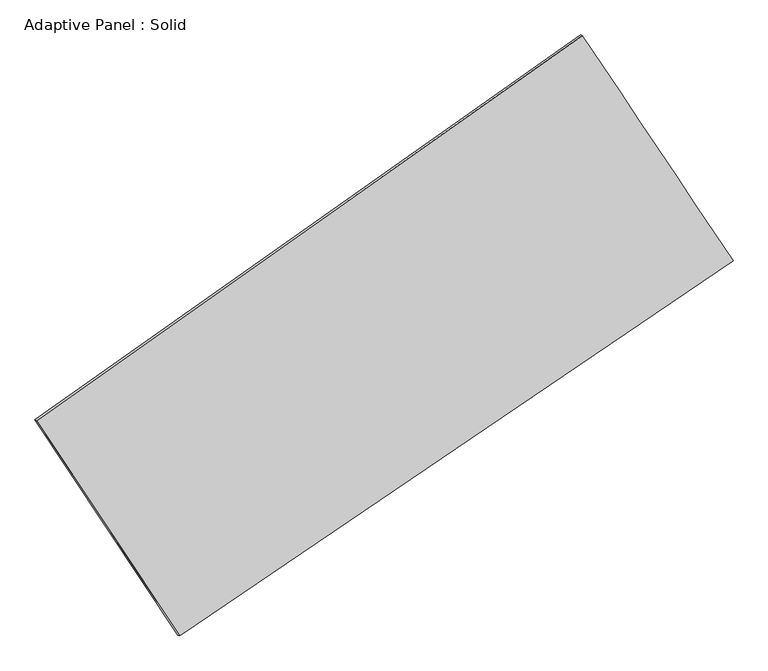
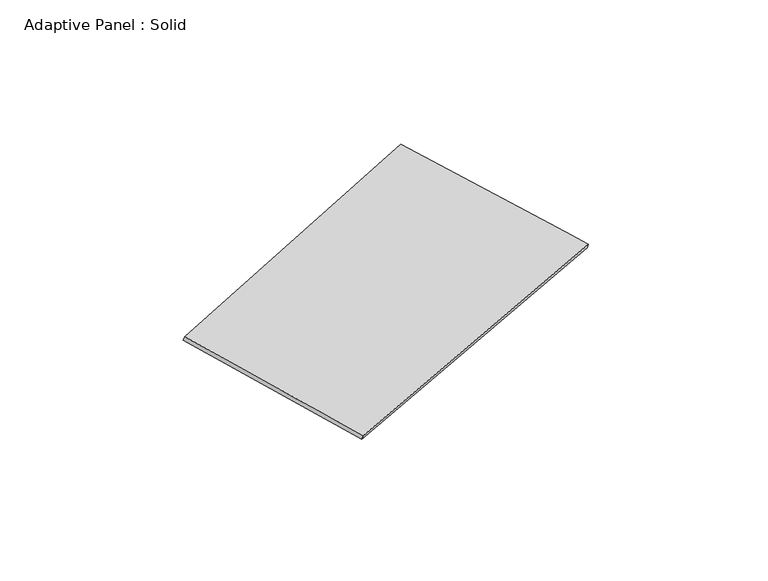
"""IFC4 building model written with IfcOpenShell, lengths in millimetres: plate geometry, Adaptive Panel : Solid."""

from ifc_helpers import new_model, si_unit, frame, origin, place, context, project, spatial, source, transform, mapped, element, save
from ifc_brep_helpers import plane_surface, spline_surface, advanced_brep


def adaptive_panel_solid_8b9dce74(model_context):
    return source(origin(), model_context, "Body", "AdvancedBrep", [
        advanced_brep(
        [(1079.2389441, 2523.9236312, 677.8999919), (-3654.3102525, -814.1757604, 1716.6047174), (-3639.6438967, -820.5558538, 1763.9776254), (1093.9052999, 2517.5435378, 725.2728999), (-2414.5052694, -2681.3033222, 1058.0325057), (-2399.8389136, -2687.6834157, 1105.4054137), (2386.2859997, 571.3068785, 32.5853053), (2400.9523555, 564.926785, 79.9582133)],
        [
            (0, 1),
            (1, 2),
            (2, 3),
            (3, 0),
            (1, 4),
            (4, 5),
            (5, 2),
            (4, 6),
            (6, 7),
            (7, 5),
            (6, 0),
            (3, 7),
        ],
        [
            plane_surface(frame((-1287.5356542, 854.8739354, 1197.2523546), z_axis=(-0.5149370599327733, 0.8139154988705561, 0.2690378876777121), x_axis=(-0.8043985709245045, -0.5672619568710544, 0.176512921287471))),
            plane_surface(frame((-3034.4077609, -1747.7395413, 1387.3186115), z_axis=(-0.7932899656758526, -0.5855686933863155, 0.16673432665125648), x_axis=(0.5307334215318357, -0.7992765094668794, -0.28192037294873207))),
            plane_surface(frame((-14.1096349, -1054.9982219, 545.3089055), z_axis=(0.5010962223791688, -0.8234831784407635, -0.2660414079470046), x_axis=(0.8152334130562011, 0.552333223146088, -0.17413354888071145))),
            plane_surface(frame((1732.7624719, 1547.6152549, 355.2426486), z_axis=(0.7930551209976856, 0.5859208885795278, -0.16661418722762766), x_axis=(-0.5364001055653862, 0.8013359793318355, 0.2648312197942884))),
            spline_surface(1, 1, [[(-3639.6438967, -820.5558538, 1763.9776254), (1093.9052999, 2517.5435378, 725.2728999)], [(-2399.8389136, -2687.6834157, 1105.4054137), (2400.9523555, 564.926785, 79.9582133)]], [2, 2], [2, 2], [0.0, 1.0], [0.0, 1.0]),
            spline_surface(1, 1, [[(2386.2859997, 571.3068785, 32.5853053), (1079.2389441, 2523.9236312, 677.8999919)], [(-2414.5052694, -2681.3033222, 1058.0325057), (-3654.3102525, -814.1757604, 1716.6047174)]], [2, 2], [2, 2], [0.0, 1.0], [0.0, 1.0]),
        ],
        [
            (0, [[1, 2, 3, 4]]),
            (1, [[5, 6, 7, -2]]),
            (2, [[8, 9, 10, -6]]),
            (3, [[11, -4, 12, -9]]),
            (4, [[-3, -7, -10, -12]]),
            (5, [[-11, -8, -5, -1]]),
        ],
    ),
    ])


if __name__ == "__main__":
    model = new_model("IFC4")
    model_context = context("Model", 3, world=origin())
    ifc_project = project(units=[si_unit("LENGTHUNIT", "METRE", prefix="MILLI")], contexts=[model_context])
    site = spatial("IfcSite", under=ifc_project)
    building = spatial("IfcBuilding", under=site)
    placement = place(None, origin())
    adaptive_panel_solid_shape = adaptive_panel_solid_8b9dce74(model_context)
    element("IfcPlate", 1, ObjectType="Adaptive Panel : Solid", at=placement, inside=building, context=model_context, shape_type="MappedRepresentation", body=[
        mapped(adaptive_panel_solid_shape, transform((0.0, 0.0, 0.0), x_axis=(1.0, 0.0, 0.0), y_axis=(0.0, 1.0, 0.0), z_axis=(0.0, 0.0, 1.0))),
    ])
    save(model, "model.ifc")
